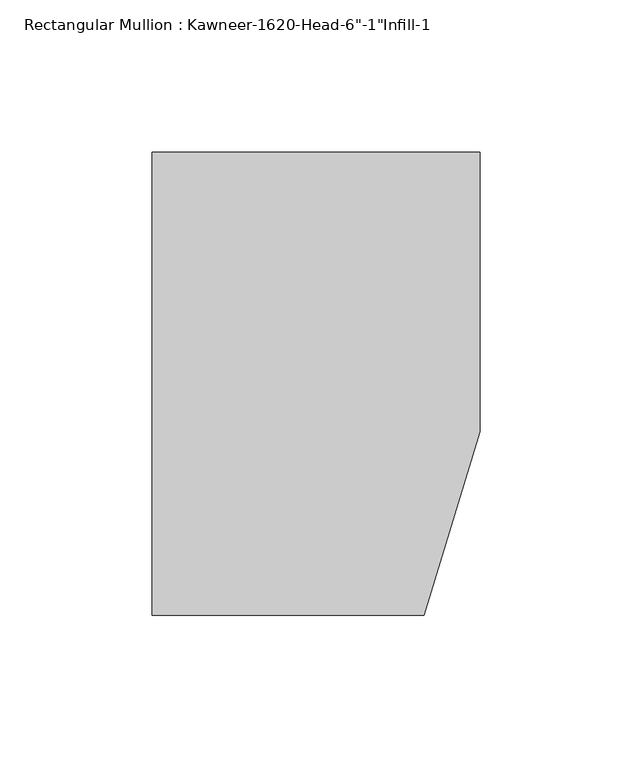
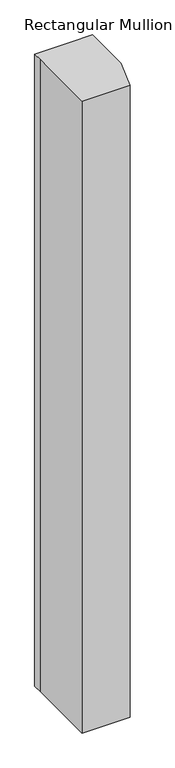
"""IFC4 building model written with IfcOpenShell, lengths in millimetres: member geometry."""

from ifc_helpers import new_model, si_unit, frame, origin, place, context, project, spatial, polyline, outline, extrude, source, transform, mapped, element, save


def member_a4f223c3(model_context):
    return source(origin(), model_context, "Body", "SweptSolid", [
        extrude(outline(polyline([(-107.95, 19.9095466), (-107.95, 38.1), (-44.1519366, 38.1), (0.0, 38.1), (0.0, -53.975), (-18.3538271, -114.3), (-107.95, -114.3), (-107.95, 19.9095466)])), frame((0.0, 0.0, -1243.5973888), z_axis=(0.0, 0.0, 1.0), x_axis=(1.0, 0.0, 0.0)), (0.0, 0.0, 1.0), 1243.5973888),
    ])


if __name__ == "__main__":
    model = new_model("IFC4")
    model_context = context("Model", 3, world=origin())
    ifc_project = project(units=[si_unit("LENGTHUNIT", "METRE", prefix="MILLI")], contexts=[model_context])
    site = spatial("IfcSite", under=ifc_project)
    building = spatial("IfcBuilding", under=site)
    placement = place(None, origin())
    member_shape = member_a4f223c3(model_context)
    element("IfcMember", 1, ObjectType="Rectangular Mullion : Kawneer-1620-Head-6\"-1\"Infill-1", at=placement, inside=building, context=model_context, shape_type="MappedRepresentation", body=[
        mapped(member_shape, transform((0.0, 0.0, 0.0), x_axis=(1.0, 0.0, 0.0), y_axis=(0.0, 1.0, 0.0), z_axis=(0.0, 0.0, 1.0))),
    ])
    save(model, "model.ifc")
